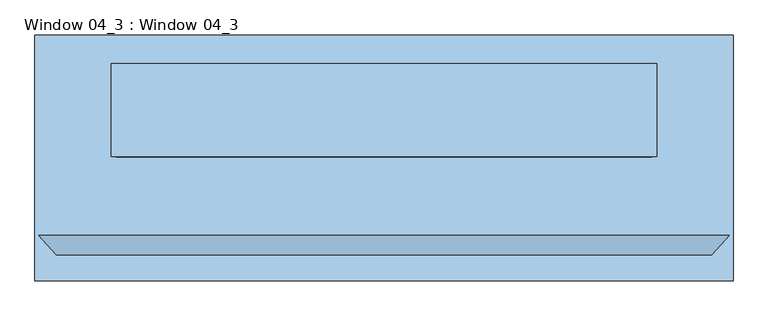
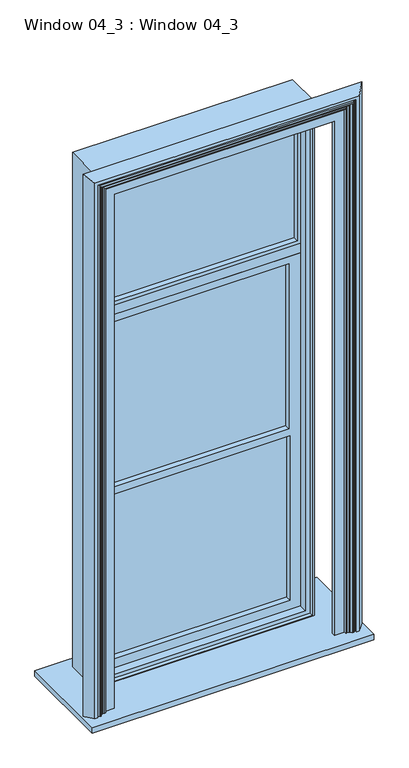
"""IFC4 building model written with IfcOpenShell, lengths in millimetres: window geometry, Window 04_3 : Window 04_3."""

from ifc_helpers import new_model, si_unit, frame, origin, place, context, project, spatial, polyline, outline, extrude, faceted_brep, source, transform, mapped, element, save


def window_04_3_window_04_3_83deb361(model_context):
    return source(origin(), model_context, "Body", "SolidModel", [
        extrude(outline(polyline([(681.9029351, 50.8), (-681.9029351, 50.8), (-681.9029351, 127.0), (681.9029351, 127.0), (681.9029351, 50.8)])), frame((0.0, 0.0, 3439.6178959), z_axis=(0.0, 0.0, 1.0), x_axis=(1.0, 0.0, 0.0)), (0.0, 0.0, 1.0), 63.5),
        extrude(outline(polyline([(927.1, -361.95), (-927.1, -361.95), (-927.1, 292.1), (927.1, 292.1), (927.1, -361.95)])), frame((0.0, 0.0, 914.4), z_axis=(0.0, 0.0, 1.0), x_axis=(1.0, 0.0, 0.0)), (0.0, 0.0, 1.0), 38.1),
        faceted_brep([(723.9, -241.3, 952.5), (916.6830809, -241.3, 952.5), (870.0424656, -293.1582935, 952.5), (850.8313909, -293.1582935, 952.5), (850.8313909, -281.649835, 952.5), (845.6819991, -281.649835, 952.5), (837.536647, -289.4869133, 952.5), (825.5716738, -289.4869133, 952.5), (818.2133111, -277.3364376, 952.5), (812.9887572, -277.3364376, 952.5), (802.6633264, -269.0569351, 952.5), (795.8632974, -275.1244725, 952.5), (790.2775017, -275.1244725, 952.5), (790.2775017, -259.9962122, 952.5), (723.9, -259.9962122, 952.5), (723.9, -241.3, 4527.55), (-723.9, -241.3, 4527.55), (-723.9, -241.3, 952.5), (-916.6830809, -241.3, 952.5), (-916.6830809, -241.3, 4720.3330809), (916.6830809, -241.3, 4720.3330809), (870.0424656, -293.1582935, 4673.6924656), (-870.0424656, -293.1582935, 4673.6924656), (-870.0424656, -293.1582935, 952.5), (-850.8313909, -293.1582935, 952.5), (-850.8313909, -293.1582935, 4654.4813909), (850.8313909, -293.1582935, 4654.4813909), (850.8313909, -281.649835, 4654.4813909), (-850.8313909, -281.649835, 4654.4813909), (-850.8313909, -281.649835, 952.5), (-845.6819991, -281.649835, 952.5), (-845.6819991, -281.649835, 4649.3319991), (845.6819991, -281.649835, 4649.3319991), (837.536647, -289.4869133, 4641.186647), (-837.536647, -289.4869133, 4641.186647), (-837.536647, -289.4869133, 952.5), (-825.5716738, -289.4869133, 952.5), (-825.5716738, -289.4869133, 4629.2216738), (825.5716738, -289.4869133, 4629.2216738), (818.2133111, -277.3364376, 4621.8633111), (-818.2133111, -277.3364376, 4621.8633111), (-818.2133111, -277.3364376, 952.5), (-812.9887572, -277.3364376, 952.5), (-812.9887572, -277.3364376, 4616.6387572), (812.9887572, -277.3364376, 4616.6387572), (802.6633264, -269.0569351, 4606.3133264), (795.8632974, -275.1244725, 4599.5132974), (-795.8632974, -275.1244725, 4599.5132974), (-795.8632974, -275.1244725, 952.5), (-790.2775017, -275.1244725, 952.5), (-790.2775017, -275.1244725, 4593.9275017), (790.2775017, -275.1244725, 4593.9275017), (790.2775017, -259.9962122, 4593.9275017), (-790.2775017, -259.9962122, 4593.9275017), (-790.2775017, -259.9962122, 952.5), (-723.9, -259.9962122, 952.5), (-723.9, -259.9962122, 4527.55), (723.9, -259.9962122, 4527.55), (-802.6633264, -269.0569351, 952.5), (-802.6633264, -269.0569351, 4606.3133264)], [[[0, 1, 2, 3, 4, 5, 6, 7, 8, 9, 10, 11, 12, 13, 14]], [[1, 0, 15, 16, 17, 18, 19, 20]], [[2, 1, 20, 21]], [[3, 2, 21, 22, 23, 24, 25, 26]], [[4, 3, 26, 27]], [[5, 4, 27, 28, 29, 30, 31, 32]], [[6, 5, 32, 33]], [[7, 6, 33, 34, 35, 36, 37, 38]], [[8, 7, 38, 39]], [[9, 8, 39, 40, 41, 42, 43, 44]], [[10, 9, 44, 45]], [[11, 10, 45, 46]], [[12, 11, 46, 47, 48, 49, 50, 51]], [[13, 12, 51, 52]], [[14, 13, 52, 53, 54, 55, 56, 57]], [[0, 14, 57, 15]], [[17, 55, 54, 49, 48, 58, 42, 41, 36, 35, 30, 29, 24, 23, 18]], [[16, 56, 55, 17]], [[53, 50, 49, 54]], [[47, 59, 58, 48]], [[59, 43, 42, 58]], [[40, 37, 36, 41]], [[34, 31, 30, 35]], [[28, 25, 24, 29]], [[22, 19, 18, 23]], [[15, 57, 56, 16]], [[21, 20, 19, 22]], [[27, 26, 25, 28]], [[33, 32, 31, 34]], [[39, 38, 37, 40]], [[45, 44, 43, 59]], [[46, 45, 59, 47]], [[52, 51, 50, 53]]]),
        extrude(outline(polyline([(660.3651779, 88.9), (-660.3651779, 88.9), (-660.3651779, 114.3), (660.3651779, 114.3), (660.3651779, 88.9)])), frame((0.0, 0.0, 3528.5178959), z_axis=(0.0, 0.0, 1.0), x_axis=(1.0, 0.0, 0.0)), (0.0, 0.0, 1.0), 922.7790471),
        extrude(outline(polyline([(605.7029351, 88.9), (-605.7029351, 88.9), (-605.7029351, 114.3), (605.7029351, 114.3), (605.7029351, 88.9)])), frame((0.0, 0.0, 2241.55), z_axis=(0.0, 0.0, 1.0), x_axis=(1.0, 0.0, 0.0)), (0.0, 0.0, 1.0), 1146.669093),
        extrude(outline(polyline([(612.648, 88.9), (-612.648, 88.9), (-612.648, 114.3), (612.648, 114.3), (612.648, 88.9)])), frame((0.0, 0.0, 1047.75), z_axis=(0.0, 0.0, 1.0), x_axis=(1.0, 0.0, 0.0)), (0.0, 0.0, 1.0), 1143.0),
        extrude(outline(polyline([(4489.396943, 681.9029351), (4489.396943, -681.9029351), (3503.1178959, -681.9029351), (3503.1178959, 681.9029351), (4489.396943, 681.9029351)]), holes=[polyline([(4451.296943, 660.3651779), (3528.5178959, 660.3651779), (3528.5178959, -660.3651779), (4451.296943, -660.3651779), (4451.296943, 660.3651779)])]), frame((0.0, 50.8, 0.0), z_axis=(0.0, 1.0, 0.0), x_axis=(0.0, 0.0, 1.0)), (0.0, 0.0, 1.0), 76.2),
        extrude(outline(polyline([(3439.6178959, 681.9029351), (3439.6178959, -681.9029351), (984.25, -681.9029351), (984.25, 681.9029351), (3439.6178959, 681.9029351)]), holes=[polyline([(2190.75, 612.648), (1047.75, 612.648), (1047.75, -612.648), (2190.75, -612.648), (2190.75, 612.648)]), polyline([(3388.219093, 605.7029351), (2241.55, 605.7029351), (2241.55, -605.7029351), (3388.219093, -605.7029351), (3388.219093, 605.7029351)])]), frame((0.0, 50.8, 0.0), z_axis=(0.0, 1.0, 0.0), x_axis=(0.0, 0.0, 1.0)), (0.0, 0.0, 1.0), 76.2),
        extrude(outline(polyline([(4514.796943, 711.1651779), (4514.796943, -711.1651779), (958.85, -711.1651779), (958.85, 711.1651779), (4514.796943, 711.1651779)]), holes=[polyline([(4489.396943, 681.9029351), (984.25, 681.9029351), (984.25, -681.9029351), (4489.396943, -681.9029351), (4489.396943, 681.9029351)])]), frame((0.0, -6.35, 0.0), z_axis=(0.0, 1.0, 0.0), x_axis=(0.0, 0.0, 1.0)), (0.0, 0.0, 1.0), 196.85),
        extrude(outline(polyline([(4527.55, 723.9), (4527.55, -723.9), (952.5, -723.9), (952.5, 723.9), (4527.55, 723.9)]), holes=[polyline([(958.85, 711.1651779), (958.85, -711.1651779), (4514.796943, -711.1651779), (4514.796943, 711.1651779), (958.85, 711.1651779)])]), frame((0.0, -31.75, 0.0), z_axis=(0.0, 1.0, 0.0), x_axis=(0.0, 0.0, 1.0)), (0.0, 0.0, 1.0), 247.65),
    ])


if __name__ == "__main__":
    model = new_model("IFC4")
    model_context = context("Model", 3, world=origin())
    ifc_project = project(units=[si_unit("LENGTHUNIT", "METRE", prefix="MILLI")], contexts=[model_context])
    site = spatial("IfcSite", under=ifc_project)
    building = spatial("IfcBuilding", under=site)
    placement = place(None, origin())
    window_04_3_window_04_3_shape = window_04_3_window_04_3_83deb361(model_context)
    element("IfcWindow", 1, ObjectType="Window 04_3 : Window 04_3", at=placement, inside=building, context=model_context, shape_type="MappedRepresentation", body=[
        mapped(window_04_3_window_04_3_shape, transform((0.0, 0.0, 0.0), x_axis=(1.0, 0.0, 0.0), y_axis=(0.0, 1.0, 0.0), z_axis=(0.0, 0.0, 1.0))),
    ])
    save(model, "model.ifc")
